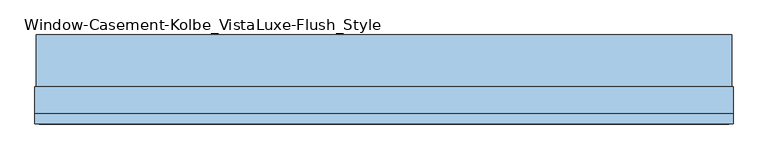
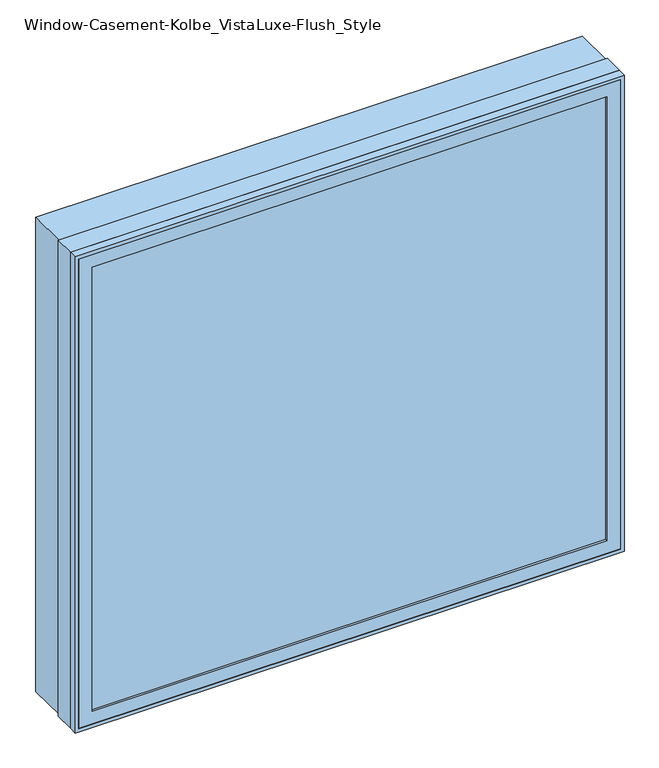
"""IFC4 building model written with IfcOpenShell, lengths in millimetres: window geometry, Window-Casement-Kolbe_VistaLuxe-Flush_Style."""

from ifc_helpers import new_model, si_unit, frame, origin, place, context, project, spatial, polyline, outline, extrude, faceted_brep, source, transform, mapped, element, save


def window_casement_kolbe_vistaluxe_flush_style_b997adcb(model_context):
    return source(origin(), model_context, "Body", "SolidModel", [
        faceted_brep([(-863.6696599, -121.37898, 970.676875), (-863.6696599, -129.31648, 970.676875), (852.5765901, -129.31648, 970.676875), (852.5765901, -121.37898, 970.676875), (-879.5446599, -99.12858, 954.801875), (-879.5446599, -121.37898, 954.801875), (868.4515901, -121.37898, 954.801875), (868.4515901, -99.12858, 954.801875), (-863.6696599, -80.10398, 970.676875), (-863.6696599, -99.12858, 970.676875), (852.5765901, -99.12858, 970.676875), (852.5765901, -80.10398, 970.676875), (-908.1196599, -129.31648, 926.226875), (-908.1196599, -80.10398, 926.226875), (897.0265901, -80.10398, 926.226875), (897.0265901, -129.31648, 926.226875), (852.5765901, -129.31648, 2534.523125), (852.5765901, -121.37898, 2534.523125), (868.4515901, -121.37898, 2550.398125), (868.4515901, -99.12858, 2550.398125), (852.5765901, -99.12858, 2534.523125), (852.5765901, -80.10398, 2534.523125), (897.0265901, -80.10398, 2578.973125), (897.0265901, -129.31648, 2578.973125), (-863.6696599, -129.31648, 2534.523125), (-863.6696599, -121.37898, 2534.523125), (-879.5446599, -121.37898, 2550.398125), (-879.5446599, -99.12858, 2550.398125), (-863.6696599, -99.12858, 2534.523125), (-863.6696599, -80.10398, 2534.523125), (-908.1196599, -80.10398, 2578.973125), (-908.1196599, -129.31648, 2578.973125)], [[[0, 1, 2, 3]], [[4, 5, 6, 7]], [[8, 9, 10, 11]], [[12, 13, 14, 15]], [[3, 2, 16, 17]], [[7, 6, 18, 19]], [[11, 10, 20, 21]], [[15, 14, 22, 23]], [[17, 16, 24, 25]], [[19, 18, 26, 27]], [[21, 20, 28, 29]], [[23, 22, 30, 31]], [[25, 24, 1, 0]], [[5, 26, 18, 6], [3, 17, 25, 0]], [[27, 26, 5, 4]], [[7, 19, 27, 4], [9, 28, 20, 10]], [[29, 28, 9, 8]], [[13, 30, 22, 14], [11, 21, 29, 8]], [[31, 30, 13, 12]], [[15, 23, 31, 12], [1, 24, 16, 2]]]),
        extrude(outline(polyline([(2587.2186, 905.2720651), (2587.2186, -916.3651349), (917.9814, -916.3651349), (917.9814, 905.2720651), (2587.2186, 905.2720651)]), holes=[polyline([(936.545625, 886.7078401), (936.545625, -897.8009099), (2568.654375, -897.8009099), (2568.654375, 886.7078401), (936.545625, 886.7078401)])]), frame((0.0, -32.5247, 0.0), z_axis=(0.0, 1.0, 0.0), x_axis=(0.0, 0.0, 1.0)), (0.0, 0.0, 1.0), 135.7122),
        extrude(outline(polyline([(2590.8, -919.9465349), (914.4, -919.9465349), (914.4, 908.8534651), (2590.8, 908.8534651), (2590.8, -919.9465349)]), holes=[polyline([(2578.973125, 897.0265901), (926.226875, 897.0265901), (926.226875, -908.1196599), (2578.973125, -908.1196599), (2578.973125, 897.0265901)])]), frame((0.0, -130.1115, 0.0), z_axis=(0.0, 1.0, 0.0), x_axis=(0.0, 0.0, 1.0)), (0.0, 0.0, 1.0), 26.924),
        faceted_brep([(908.8534651, -32.5247, 914.4), (908.8534651, -103.1875, 914.4), (-919.9465349, -103.1875, 914.4), (-919.9465349, -32.5247, 914.4), (886.7078401, -80.10525, 936.545625), (886.7078401, -32.5247, 936.545625), (-897.8009099, -32.5247, 936.545625), (-897.8009099, -80.10525, 936.545625), (897.0265901, -103.1875, 926.226875), (897.0265901, -80.10525, 926.226875), (-908.1196599, -80.10525, 926.226875), (-908.1196599, -103.1875, 926.226875), (-919.9465349, -103.1875, 2590.8), (-919.9465349, -32.5247, 2590.8), (-897.8009099, -32.5247, 2568.654375), (-897.8009099, -80.10525, 2568.654375), (-908.1196599, -80.10525, 2578.973125), (-908.1196599, -103.1875, 2578.973125), (908.8534651, -103.1875, 2590.8), (908.8534651, -32.5247, 2590.8), (886.7078401, -32.5247, 2568.654375), (886.7078401, -80.10525, 2568.654375), (897.0265901, -80.10525, 2578.973125), (897.0265901, -103.1875, 2578.973125)], [[[0, 1, 2, 3]], [[4, 5, 6, 7]], [[8, 9, 10, 11]], [[3, 2, 12, 13]], [[7, 6, 14, 15]], [[11, 10, 16, 17]], [[13, 12, 18, 19]], [[15, 14, 20, 21]], [[17, 16, 22, 23]], [[19, 18, 1, 0]], [[3, 13, 19, 0], [5, 20, 14, 6]], [[21, 20, 5, 4]], [[9, 22, 16, 10], [7, 15, 21, 4]], [[23, 22, 9, 8]], [[1, 18, 12, 2], [11, 17, 23, 8]]]),
        extrude(outline(polyline([(865.2765901, -102.30358), (-876.3696599, -102.30358), (-876.3696599, -99.12858), (865.2765901, -99.12858), (865.2765901, -102.30358)])), frame((0.0, 0.0, 957.976875), z_axis=(0.0, 0.0, 1.0), x_axis=(1.0, 0.0, 0.0)), (0.0, 0.0, 1.0), 1589.24625),
        extrude(outline(polyline([(865.2765901, -118.20398), (865.2765901, -121.37898), (-876.3696599, -121.37898), (-876.3696599, -118.20398), (865.2765901, -118.20398)])), frame((0.0, 0.0, 957.976875), z_axis=(0.0, 0.0, 1.0), x_axis=(1.0, 0.0, 0.0)), (0.0, 0.0, 1.0), 1589.24625),
        extrude(outline(polyline([(936.545625, 886.7078401), (2568.654375, 886.7078401), (2568.654375, -897.8009099), (936.545625, -897.8009099), (936.545625, 886.7078401)]), holes=[polyline([(954.801875, -879.5446599), (2550.398125, -879.5446599), (2550.398125, 868.4515901), (954.801875, 868.4515901), (954.801875, -879.5446599)])]), frame((0.0, -80.10525, 0.0), z_axis=(0.0, 1.0, 0.0), x_axis=(0.0, 0.0, 1.0)), (0.0, 0.0, 1.0), 50.8),
    ])


if __name__ == "__main__":
    model = new_model("IFC4")
    model_context = context("Model", 3, world=origin())
    ifc_project = project(units=[si_unit("LENGTHUNIT", "METRE", prefix="MILLI")], contexts=[model_context])
    site = spatial("IfcSite", under=ifc_project)
    building = spatial("IfcBuilding", under=site)
    placement = place(None, origin())
    window_casement_kolbe_vistaluxe_flush_style_shape = window_casement_kolbe_vistaluxe_flush_style_b997adcb(model_context)
    element("IfcWindow", 1, ObjectType="Window-Casement-Kolbe_VistaLuxe-Flush_Style", at=placement, inside=building, context=model_context, shape_type="MappedRepresentation", body=[
        mapped(window_casement_kolbe_vistaluxe_flush_style_shape, transform((0.0, 0.0, 0.0), x_axis=(1.0, 0.0, 0.0), y_axis=(0.0, 1.0, 0.0), z_axis=(0.0, 0.0, 1.0))),
    ])
    save(model, "model.ifc")
